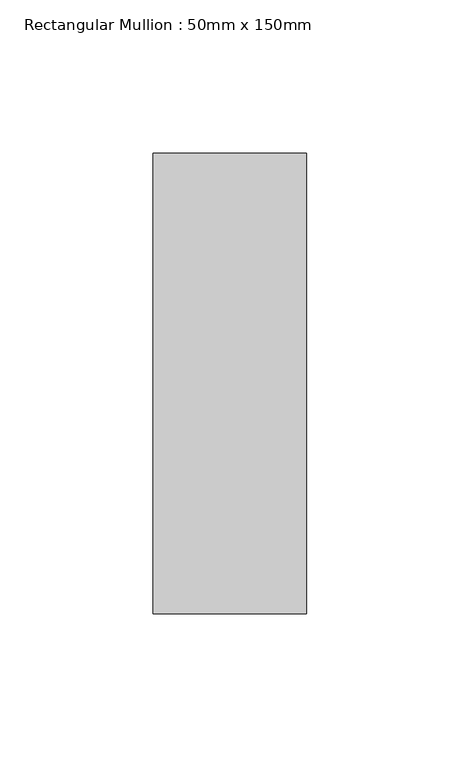
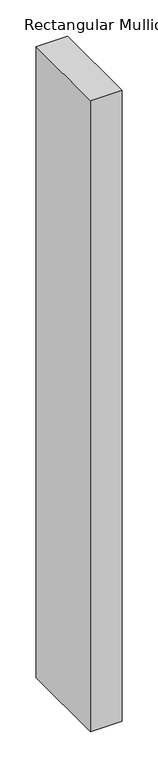
"""IFC4 building model written with IfcOpenShell, lengths in millimetres: member geometry, Rectangular Mullion : 50mm x 150mm."""

from ifc_helpers import new_model, si_unit, frame, origin, place, context, project, spatial, polyline, outline, extrude, source, transform, mapped, element, save


def rectangular_mullion_50mm_x_150mm_ccfa5b40(model_context):
    return source(origin(), model_context, "Body", "SweptSolid", [
        extrude(outline(polyline([(25.0, 75.0), (25.0, -75.0), (-25.0, -75.0), (-25.0, 75.0), (25.0, 75.0)])), frame((0.0, 0.0, -1061.5789473), z_axis=(0.0, 0.0, 1.0), x_axis=(1.0, 0.0, 0.0)), (0.0, 0.0, 1.0), 1061.5789473),
    ])


if __name__ == "__main__":
    model = new_model("IFC4")
    model_context = context("Model", 3, world=origin())
    ifc_project = project(units=[si_unit("LENGTHUNIT", "METRE", prefix="MILLI")], contexts=[model_context])
    site = spatial("IfcSite", under=ifc_project)
    building = spatial("IfcBuilding", under=site)
    placement = place(None, origin())
    rectangular_mullion_50mm_x_150mm_shape = rectangular_mullion_50mm_x_150mm_ccfa5b40(model_context)
    element("IfcMember", 1, ObjectType="Rectangular Mullion : 50mm x 150mm", at=placement, inside=building, context=model_context, shape_type="MappedRepresentation", body=[
        mapped(rectangular_mullion_50mm_x_150mm_shape, transform((0.0, 0.0, 0.0), x_axis=(1.0, 0.0, 0.0), y_axis=(0.0, 1.0, 0.0), z_axis=(0.0, 0.0, 1.0))),
    ])
    save(model, "model.ifc")
